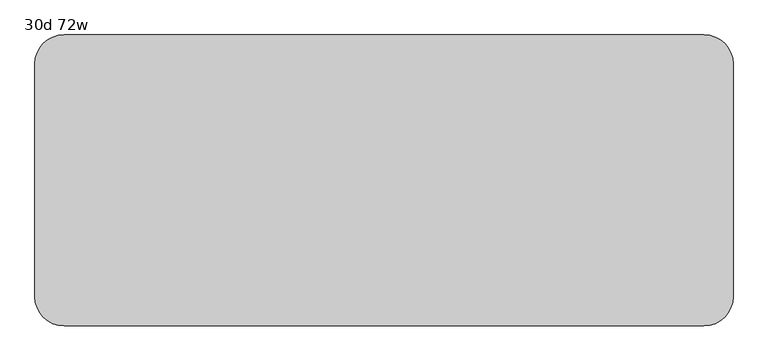
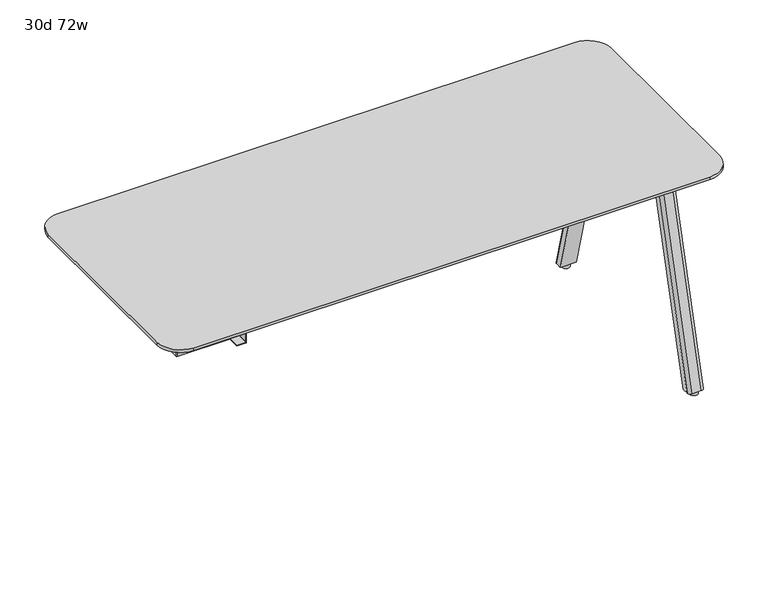
"""IFC4 building model written with IfcOpenShell, lengths in millimetres: furniture geometry, 30d 72w."""

from ifc_helpers import new_model, si_unit, point, frame, frame_2d, origin, origin_with_axes, place, context, project, spatial, polyline, circle_curve, trimmed, segment, composite_curve, outline, extrude, source, transform, mapped, element, save
from ifc_brep_helpers import plane_surface, cylinder_surface, revolved_surface, extruded_surface, advanced_brep


def furniture_30d_72w_465b79b7(model_context):
    return source(origin(), model_context, "Body", "SolidModel", [
        extrude(outline(composite_curve([segment(trimmed(circle_curve(frame_2d((708.2866241, -141.9174267)), 2.9133759), [point((711.2, -141.9174267))], [point((708.2866241, -144.8308027))], False, "CARTESIAN"), True, "CONTINUOUS"), segment(polyline([(708.2866241, -144.8308027), (549.0057593, -144.8308027)]), True, "CONTINUOUS"), segment(trimmed(circle_curve(frame_2d((549.0057593, -141.9174222)), 2.9133805), [point((549.0057593, -144.8308027))], [point((546.0923788, -141.9174222))], False, "CARTESIAN"), True, "CONTINUOUS"), segment(polyline([(546.0923788, -141.9174222), (546.0923788, -93.388185)]), True, "CONTINUOUS"), segment(trimmed(circle_curve(frame_2d((545.0763787, -93.388185)), 1.0160002), [point((546.0923788, -93.388185))], [point((545.0763787, -92.3721849))], True, "CARTESIAN"), True, "CONTINUOUS"), segment(polyline([(545.0763787, -92.3721849), (516.6283794, -92.3721849)]), True, "CONTINUOUS"), segment(trimmed(circle_curve(frame_2d((516.6283797, -93.388185)), 1.0160002), [point((516.6283794, -92.3721849))], [point((515.6123795, -93.388185))], True, "CARTESIAN"), True, "CONTINUOUS"), segment(polyline([(515.6123795, -93.388185), (515.6123792, -122.2248049), (513.7149992, -122.2248049), (513.7149992, -93.388185)]), True, "CONTINUOUS"), segment(trimmed(circle_curve(frame_2d((516.6283797, -93.388185)), 2.9133805), [point((513.7149992, -93.388185))], [point((516.6283797, -90.4748045))], False, "CARTESIAN"), True, "CONTINUOUS"), segment(polyline([(516.6283797, -90.4748045), (545.0763798, -90.4748045)]), True, "CONTINUOUS"), segment(trimmed(circle_curve(frame_2d((545.0763798, -93.388185)), 2.9133805), [point((545.0763798, -90.4748045))], [point((547.9897603, -93.388185))], False, "CARTESIAN"), True, "CONTINUOUS"), segment(polyline([(547.9897603, -93.388185), (547.9897603, -141.9174267)]), True, "CONTINUOUS"), segment(trimmed(circle_curve(frame_2d((549.0057593, -141.9174267)), 1.015999), [point((547.9897603, -141.9174267))], [point((549.0057593, -142.9334257))], True, "CARTESIAN"), True, "CONTINUOUS"), segment(polyline([(549.0057593, -142.9334257), (708.2866241, -142.9334257)]), True, "CONTINUOUS"), segment(trimmed(circle_curve(frame_2d((708.2866241, -141.9174267)), 1.015999), [point((708.2866241, -142.9334257))], [point((709.3026231, -141.9174267))], True, "CARTESIAN"), True, "CONTINUOUS"), segment(polyline([(709.3026231, -141.9174267), (709.3026231, -65.0748), (711.2, -65.0748), (711.2, -141.9174267)]), True, "CONTINUOUS")], self_intersect=False)), frame((0.0, -314.0610932, 0.0), z_axis=(0.0, 1.0, 0.0), x_axis=(0.0, 0.0, 1.0)), (0.0, 0.0, 1.0), 304.8),
        extrude(outline(composite_curve([segment(polyline([(-319.0748, -314.9678875), (-319.0748, -8.3390657)]), True, "CONTINUOUS"), segment(trimmed(circle_curve(frame_2d((-317.1698109, -8.3390657)), 1.9049891), [point((-319.0748, -8.3390657))], [point((-317.1698109, -6.4340766))], False, "CARTESIAN"), True, "CONTINUOUS"), segment(polyline([(-317.1698109, -6.4340766), (-144.0434052, -6.4340766), (-144.0434052, -316.8728766), (-317.1698109, -316.8728766)]), True, "CONTINUOUS"), segment(trimmed(circle_curve(frame_2d((-317.1698109, -314.9678875)), 1.9049891), [point((-317.1698109, -316.8728766))], [point((-319.0748, -314.9678875))], False, "CARTESIAN"), True, "CONTINUOUS")], self_intersect=False)), frame((0.0, 0.0, 547.0829797), z_axis=(0.0, 0.0, 1.0), x_axis=(1.0, 0.0, 0.0)), (0.0, 0.0, 1.0), 164.1170203),
        extrude(outline(composite_curve([segment(polyline([(1264.8565, -66.4464359), (1156.9065004, -66.4464359)]), True, "CONTINUOUS"), segment(trimmed(circle_curve(frame_2d((1156.9065004, -56.9214359)), 9.525), [point((1156.9065004, -66.4464359))], [point((1147.3815004, -56.9214359))], False, "CARTESIAN"), True, "CONTINUOUS"), segment(polyline([(1147.3815004, -56.9214359), (1147.3815004, 25.7519335)]), True, "CONTINUOUS"), segment(trimmed(circle_curve(frame_2d((1156.9065004, 25.7519335)), 9.525), [point((1147.3815004, 25.7519335))], [point((1156.9065004, 35.2769335))], False, "CARTESIAN"), True, "CONTINUOUS"), segment(polyline([(1156.9065004, 35.2769335), (1264.8565, 35.2769335)]), True, "CONTINUOUS"), segment(trimmed(circle_curve(frame_2d((1264.8565, 25.7519335)), 9.525), [point((1264.8565, 35.2769335))], [point((1274.3815, 25.7519335))], False, "CARTESIAN"), True, "CONTINUOUS"), segment(polyline([(1274.3815, 25.7519335), (1274.3815, -56.9214359)]), True, "CONTINUOUS"), segment(trimmed(circle_curve(frame_2d((1264.8565, -56.9214359)), 9.525), [point((1274.3815, -56.9214359))], [point((1264.8565, -66.4464359))], False, "CARTESIAN"), True, "CONTINUOUS")], self_intersect=False)), frame((0.0, 0.0, 705.2055742), z_axis=(0.0, 0.0, 1.0), x_axis=(1.0, 0.0, 0.0)), (0.0, 0.0, 1.0), 5.9944258),
        advanced_brep(
        [(1258.8875, 28.0527734, 705.2055742), (1227.1375, 28.0527734, 705.2055742), (1217.6125, 18.5277734, 705.2055742), (1217.6125, -2.1097266, 705.2055742), (1268.4125, -2.1097266, 705.2055742), (1268.4125, 18.5277734, 705.2055742), (1258.8875, 214.5410641, 12.7), (1268.4125, 205.0160641, 12.7), (1268.4125, 184.3785641, 12.7), (1217.6125, 184.3785641, 12.7), (1217.6125, 205.0160641, 12.7), (1227.1375, 214.5410641, 12.7)],
        [
            (0, 1),
            (1, 2, circle_curve(frame((1227.1375, 18.5277734, 705.2055742), z_axis=(0.0, 0.0, 1.0), x_axis=(1.0, 0.0, 0.0)), 9.525)),
            (2, 3),
            (3, 4),
            (4, 5),
            (5, 0, circle_curve(frame((1258.8875, 18.5277734, 705.2055742), z_axis=(0.0, 0.0, 1.0), x_axis=(1.0, 0.0, 0.0)), 9.525)),
            (6, 7, circle_curve(frame((1258.8875, 205.0160641, 12.7), z_axis=(0.0, 0.0, -1.0), x_axis=(1.0, 0.0, 0.0)), 9.525)),
            (7, 8),
            (8, 9),
            (9, 10),
            (10, 11, circle_curve(frame((1227.1375, 205.0160641, 12.7), z_axis=(0.0, 0.0, -1.0), x_axis=(1.0, 0.0, 0.0)), 9.525)),
            (11, 6),
            (6, 0),
            (5, 7),
            (4, 8),
            (3, 9),
            (2, 10),
            (1, 11),
        ],
        [
            plane_surface(frame((1243.0125, 14.8236068, 705.2055742), z_axis=(0.0, 0.0, 1.0), x_axis=(-1.0, 0.0, 0.0))),
            plane_surface(frame((1243.0125, 201.3118975, 12.7), z_axis=(0.0, 0.0, -1.0), x_axis=(-1.0, 0.0, 0.0))),
            extruded_surface(trimmed(circle_curve(frame((1258.8875, 18.5277734, 705.2055742), z_axis=(0.0, 0.0, -1.0), x_axis=(1.0, 0.0, 0.0)), 9.525), [point((1258.8875, 28.0527734, 705.2055742))], [point((1268.4125, 18.5277734, 705.2055742))], True, "CARTESIAN"), (0.0, 186.4882907, -692.5055742), 717.1763052878136),
            plane_surface(frame((1268.4125, 194.6973141, 12.7), z_axis=(1.0, 0.0, 0.0), x_axis=(0.0, -1.0, 0.0))),
            plane_surface(frame((1243.0125, 184.3785641, 12.7), z_axis=(0.0, -0.9656001865922422, -0.260031305140414), x_axis=(-1.0, 0.0, 0.0))),
            plane_surface(frame((1217.6125, 194.6973141, 12.7), z_axis=(-1.0, 0.0, 0.0), x_axis=(0.0, 1.0, 0.0))),
            extruded_surface(trimmed(circle_curve(frame((1227.1375, 18.5277734, 705.2055742), z_axis=(0.0, 0.0, -1.0), x_axis=(1.0, 0.0, 0.0)), 9.525), [point((1217.6125, 18.5277734, 705.2055742))], [point((1227.1375, 28.0527734, 705.2055742))], True, "CARTESIAN"), (0.0, 186.4882907, -692.5055742), 717.1763052878136),
            plane_surface(frame((1243.0125, 214.5410641, 12.7), z_axis=(0.0, 0.9656001865922422, 0.260031305140414), x_axis=(1.0, 0.0, 0.0))),
        ],
        [
            (0, [[1, 2, 3, 4, 5, 6]]),
            (1, [[7, 8, 9, 10, 11, 12]]),
            (2, [[13, -6, 14, -7]]),
            (3, [[-14, -5, 15, -8]]),
            (4, [[-15, -4, 16, -9]]),
            (5, [[-16, -3, 17, -10]]),
            (6, [[-17, -2, 18, -11]]),
            (7, [[-18, -1, -13, -12]]),
        ],
    ),
        extrude(outline(composite_curve([segment(trimmed(circle_curve(frame_2d((1243.0125, 198.6660641)), 12.7), [point((1230.3125, 198.6660641))], [point((1255.7125, 198.6660641))], False, "CARTESIAN"), True, "CONTINUOUS"), segment(trimmed(circle_curve(frame_2d((1243.0125, 198.6660641)), 12.7), [point((1255.7125, 198.6660641))], [point((1230.3125, 198.6660641))], False, "CARTESIAN"), True, "CONTINUOUS")], self_intersect=False)), origin_with_axes(), (0.0, 0.0, 1.0), 12.7),
        extrude(outline(composite_curve([segment(trimmed(circle_curve(frame_2d((1264.8565, -266.3855172)), 9.525), [point((1264.8565, -256.8605172))], [point((1274.3815, -266.3855172))], False, "CARTESIAN"), True, "CONTINUOUS"), segment(polyline([(1274.3815, -266.3855172), (1274.3815, -349.0588866)]), True, "CONTINUOUS"), segment(trimmed(circle_curve(frame_2d((1264.8565, -349.0588866)), 9.525), [point((1274.3815, -349.0588866))], [point((1264.8565, -358.5838866))], False, "CARTESIAN"), True, "CONTINUOUS"), segment(polyline([(1264.8565, -358.5838866), (1156.9065004, -358.5838866)]), True, "CONTINUOUS"), segment(trimmed(circle_curve(frame_2d((1156.9065004, -349.0588866)), 9.525), [point((1156.9065004, -358.5838866))], [point((1147.3815004, -349.0588866))], False, "CARTESIAN"), True, "CONTINUOUS"), segment(polyline([(1147.3815004, -349.0588866), (1147.3815004, -266.3855172)]), True, "CONTINUOUS"), segment(trimmed(circle_curve(frame_2d((1156.9065004, -266.3855172)), 9.525), [point((1147.3815004, -266.3855172))], [point((1156.9065004, -256.8605172))], False, "CARTESIAN"), True, "CONTINUOUS"), segment(polyline([(1156.9065004, -256.8605172), (1264.8565, -256.8605172)]), True, "CONTINUOUS")], self_intersect=False)), frame((0.0, 0.0, 705.2055742), z_axis=(0.0, 0.0, 1.0), x_axis=(1.0, 0.0, 0.0)), (0.0, 0.0, 1.0), 5.9944258),
        advanced_brep(
        [(1258.8875, -351.3597266, 705.2055742), (1268.4125, -341.8347266, 705.2055742), (1268.4125, -321.1972266, 705.2055742), (1217.6125, -321.1972266, 705.2055742), (1217.6125, -341.8347266, 705.2055742), (1227.1375, -351.3597266, 705.2055742), (1258.8875, -537.8480172, 12.7), (1227.1375, -537.8480172, 12.7), (1217.6125, -528.3230172, 12.7), (1217.6125, -507.6855172, 12.7), (1268.4125, -507.6855172, 12.7), (1268.4125, -528.3230172, 12.7)],
        [
            (0, 1, circle_curve(frame((1258.8875, -341.8347266, 705.2055742), z_axis=(0.0, 0.0, 1.0), x_axis=(1.0, 0.0, 0.0)), 9.525)),
            (1, 2),
            (2, 3),
            (3, 4),
            (4, 5, circle_curve(frame((1227.1375, -341.8347266, 705.2055742), z_axis=(0.0, 0.0, 1.0), x_axis=(1.0, 0.0, 0.0)), 9.525)),
            (5, 0),
            (6, 7),
            (7, 8, circle_curve(frame((1227.1375, -528.3230172, 12.7), z_axis=(0.0, 0.0, -1.0), x_axis=(1.0, 0.0, 0.0)), 9.525)),
            (8, 9),
            (9, 10),
            (10, 11),
            (11, 6, circle_curve(frame((1258.8875, -528.3230172, 12.7), z_axis=(0.0, 0.0, -1.0), x_axis=(1.0, 0.0, 0.0)), 9.525)),
            (11, 1),
            (0, 6),
            (10, 2),
            (9, 3),
            (8, 4),
            (7, 5),
        ],
        [
            plane_surface(frame((1243.0125, -338.1305599, 705.2055742), z_axis=(0.0, 0.0, 1.0), x_axis=(-1.0, 0.0, 0.0))),
            plane_surface(frame((1243.0125, -524.6188506, 12.7), z_axis=(0.0, 0.0, -1.0), x_axis=(-1.0, 0.0, 0.0))),
            extruded_surface(trimmed(circle_curve(frame((1258.8875, -528.3230172, 12.7), z_axis=(0.0, 0.0, 1.0), x_axis=(1.0, 0.0, 0.0)), 9.525), [point((1258.8875, -537.8480172, 12.7))], [point((1268.4125, -528.3230172, 12.7))], True, "CARTESIAN"), (0.0, 186.48829059999997, 692.5055742), 717.1763052618105),
            plane_surface(frame((1268.4125, -518.0042672, 12.7), z_axis=(1.0, 0.0, 0.0), x_axis=(0.0, 1.0, 0.0))),
            plane_surface(frame((1243.0125, -507.6855172, 12.7), z_axis=(0.0, 0.9656001865922422, -0.260031305140414), x_axis=(-1.0, 0.0, 0.0))),
            plane_surface(frame((1217.6125, -518.0042672, 12.7), z_axis=(-1.0, 0.0, 0.0), x_axis=(0.0, -1.0, 0.0))),
            extruded_surface(trimmed(circle_curve(frame((1227.1375, -528.3230172, 12.7), z_axis=(0.0, 0.0, 1.0), x_axis=(1.0, 0.0, 0.0)), 9.525), [point((1217.6125, -528.3230172, 12.7))], [point((1227.1375, -537.8480172, 12.7))], True, "CARTESIAN"), (0.0, 186.48829059999997, 692.5055742), 717.1763052618105),
            plane_surface(frame((1243.0125, -537.8480172, 12.7), z_axis=(0.0, -0.9656001865922422, 0.260031305140414), x_axis=(1.0, 0.0, 0.0))),
        ],
        [
            (0, [[1, 2, 3, 4, 5, 6]]),
            (1, [[7, 8, 9, 10, 11, 12]]),
            (2, [[-12, 13, -1, 14]]),
            (3, [[-11, 15, -2, -13]]),
            (4, [[-10, 16, -3, -15]]),
            (5, [[-9, 17, -4, -16]]),
            (6, [[-8, 18, -5, -17]]),
            (7, [[-7, -14, -6, -18]]),
        ],
    ),
        extrude(outline(composite_curve([segment(trimmed(circle_curve(frame_2d((1243.0125, -521.9730172)), 12.7), [point((1230.3125, -521.9730172))], [point((1255.7125, -521.9730172))], False, "CARTESIAN"), True, "CONTINUOUS"), segment(trimmed(circle_curve(frame_2d((1243.0125, -521.9730172)), 12.7), [point((1255.7125, -521.9730172))], [point((1230.3125, -521.9730172))], False, "CARTESIAN"), True, "CONTINUOUS")], self_intersect=False)), origin_with_axes(), (0.0, 0.0, 1.0), 12.7),
        advanced_brep(
        [(-393.7, -542.6534766, 741.3625), (1282.7, -542.6534766, 741.3625), (1358.9, -466.4534766, 741.3625), (1358.9, 143.1465234, 741.3625), (1282.7, 219.3465234, 741.3625), (-393.7, 219.3465234, 741.3625), (-469.9, 143.1465234, 741.3625), (-469.9, -466.4534766, 741.3625), (1282.7, -491.8534766, 711.2), (-393.7, -491.8534766, 711.2), (-419.1, -466.4534766, 711.2), (-419.1, 143.1465234, 711.2), (-393.7, 168.5465234, 711.2), (1282.7, 168.5465234, 711.2), (1308.1, 143.1465234, 711.2), (1308.1, -466.4534766, 711.2), (-393.7, -542.6534766, 731.8375), (1282.7, -542.6534766, 731.8375), (1358.9, -466.4534766, 731.8375), (1358.9, 143.1465234, 731.8375), (1282.7, 219.3465234, 731.8375), (-393.7, 219.3465234, 731.8375), (-469.9, 143.1465234, 731.8375), (-469.9, -466.4534766, 731.8375)],
        [
            (0, 1),
            (1, 2, circle_curve(frame((1282.7, -466.4534766, 741.3625), z_axis=(0.0, 0.0, 1.0), x_axis=(1.0, 0.0, 0.0)), 76.2)),
            (2, 3),
            (3, 4, circle_curve(frame((1282.7, 143.1465234, 741.3625), z_axis=(0.0, 0.0, 1.0), x_axis=(1.0, 0.0, 0.0)), 76.2)),
            (4, 5),
            (5, 6, circle_curve(frame((-393.7, 143.1465234, 741.3625), z_axis=(0.0, 0.0, 1.0), x_axis=(1.0, 0.0, 0.0)), 76.2)),
            (6, 7),
            (7, 0, circle_curve(frame((-393.7, -466.4534766, 741.3625), z_axis=(0.0, 0.0, 1.0), x_axis=(1.0, 0.0, 0.0)), 76.2)),
            (8, 9),
            (9, 10, circle_curve(frame((-393.7, -466.4534766, 711.2), z_axis=(0.0, 0.0, -1.0), x_axis=(-1.0, 0.0, 0.0)), 25.4)),
            (10, 11),
            (11, 12, circle_curve(frame((-393.7, 143.1465234, 711.2), z_axis=(0.0, 0.0, -1.0), x_axis=(0.0, 1.0, 0.0)), 25.4)),
            (12, 13),
            (13, 14, circle_curve(frame((1282.7, 143.1465234, 711.2), z_axis=(0.0, 0.0, -1.0), x_axis=(1.0, 0.0, 0.0)), 25.4)),
            (14, 15),
            (15, 8, circle_curve(frame((1282.7, -466.4534766, 711.2), z_axis=(0.0, 0.0, -1.0), x_axis=(0.0, -1.0, 0.0)), 25.4)),
            (0, 16),
            (16, 17),
            (17, 1),
            (2, 18),
            (18, 19),
            (19, 3),
            (17, 18, circle_curve(frame((1282.7, -466.4534766, 731.8375), z_axis=(0.0, 0.0, 1.0), x_axis=(1.0, 0.0, 0.0)), 76.2)),
            (4, 20),
            (20, 21),
            (21, 5),
            (8, 17),
            (16, 9),
            (15, 18),
            (14, 19),
            (13, 20),
            (20, 19, circle_curve(frame((1282.7, 143.1465234, 731.8375), z_axis=(0.0, 0.0, -1.0), x_axis=(1.0, 0.0, 0.0)), 76.2)),
            (12, 21),
            (6, 22),
            (22, 23),
            (23, 7),
            (21, 22, circle_curve(frame((-393.7, 143.1465234, 731.8375), z_axis=(0.0, 0.0, 1.0), x_axis=(1.0, 0.0, 0.0)), 76.2)),
            (23, 16, circle_curve(frame((-393.7, -466.4534766, 731.8375), z_axis=(0.0, 0.0, 1.0), x_axis=(1.0, 0.0, 0.0)), 76.2)),
            (11, 22),
            (10, 23),
        ],
        [
            plane_surface(frame((1282.7, -542.6534766, 741.3625), z_axis=(0.0, 0.0, 1.0), x_axis=(1.0, 0.0, 0.0))),
            plane_surface(frame((1282.7, -542.6534766, 711.2), z_axis=(0.0, 0.0, -1.0), x_axis=(-1.0, 0.0, 0.0))),
            plane_surface(frame((-393.7, -542.6534766, 741.3625), z_axis=(0.0, -1.0, 0.0), x_axis=(0.0, 0.0, -1.0))),
            plane_surface(frame((1358.9, -466.4534766, 741.3625), z_axis=(1.0, 0.0, 0.0), x_axis=(0.0, 0.0, -1.0))),
            cylinder_surface(frame((1282.7, -466.4534766, 711.2), z_axis=(0.0, 0.0, 1.0), x_axis=(1.0, 0.0, 0.0)), 76.2),
            plane_surface(frame((1282.7, 219.3465234, 741.3625), z_axis=(0.0, 1.0, 0.0), x_axis=(0.0, 0.0, -1.0))),
            plane_surface(frame((-393.7, -542.6534766, 731.8375), z_axis=(0.0, -0.3763770469570871, -0.9264665771218423), x_axis=(1.0, 0.0, 0.0))),
            revolved_surface(polyline([(1282.7, -491.8534766, 711.2), (1282.7, -542.6534766, 731.8375)]), (1282.7, -466.4534766, 0.0), (0.0, 0.0, 1.0)),
            plane_surface(frame((1358.9, -466.4534766, 731.8375), z_axis=(0.3763770469570871, 0.0, -0.9264665771218423), x_axis=(0.0, 1.0, 0.0))),
            revolved_surface(polyline([(1308.1, 143.1465234, 711.2), (1358.9, 143.1465234, 731.8375)]), (1282.7, 143.1465234, 0.0), (0.0, 0.0, 1.0)),
            plane_surface(frame((1282.7, 219.3465234, 731.8375), z_axis=(0.0, 0.3763770469570871, -0.9264665771218423), x_axis=(-1.0, 0.0, 0.0))),
            cylinder_surface(frame((1282.7, 143.1465234, 711.2), z_axis=(0.0, 0.0, 1.0), x_axis=(1.0, 0.0, 0.0)), 76.2),
            plane_surface(frame((-469.9, 143.1465234, 741.3625), z_axis=(-1.0, 0.0, 0.0), x_axis=(0.0, 0.0, -1.0))),
            cylinder_surface(frame((-393.7, 143.1465234, 711.2), z_axis=(0.0, 0.0, 1.0), x_axis=(1.0, 0.0, 0.0)), 76.2),
            cylinder_surface(frame((-393.7, -466.4534766, 711.2), z_axis=(0.0, 0.0, 1.0), x_axis=(1.0, 0.0, 0.0)), 76.2),
            revolved_surface(polyline([(-393.7, 168.5465234, 711.2), (-393.7, 219.3465234, 731.8375)]), (-393.7, 143.1465234, 0.0), (0.0, 0.0, 1.0)),
            plane_surface(frame((-469.9, 143.1465234, 731.8375), z_axis=(-0.3763770469570871, 0.0, -0.9264665771218423), x_axis=(0.0, -1.0, 0.0))),
            revolved_surface(polyline([(-419.1, -466.4534766, 711.2), (-469.9, -466.4534766, 731.8375)]), (-393.7, -466.4534766, 0.0), (0.0, 0.0, 1.0)),
        ],
        [
            (0, [[1, 2, 3, 4, 5, 6, 7, 8]]),
            (1, [[9, 10, 11, 12, 13, 14, 15, 16]]),
            (2, [[-1, 17, 18, 19]]),
            (3, [[-3, 20, 21, 22]]),
            (4, [[-2, -19, 23, -20]]),
            (5, [[-5, 24, 25, 26]]),
            (6, [[27, -18, 28, -9]]),
            (7, [[-27, -16, 29, -23]]),
            (8, [[-29, -15, 30, -21]]),
            (9, [[-30, -14, 31, 32]]),
            (10, [[-31, -13, 33, -25]]),
            (11, [[-4, -22, -32, -24]]),
            (12, [[-7, 34, 35, 36]]),
            (13, [[-6, -26, 37, -34]]),
            (14, [[-8, -36, 38, -17]]),
            (15, [[-33, -12, 39, -37]]),
            (16, [[-39, -11, 40, -35]]),
            (17, [[-28, -38, -40, -10]]),
        ],
    ),
    ])


if __name__ == "__main__":
    model = new_model("IFC4")
    model_context = context("Model", 3, world=origin())
    ifc_project = project(units=[si_unit("LENGTHUNIT", "METRE", prefix="MILLI")], contexts=[model_context])
    site = spatial("IfcSite", under=ifc_project)
    building = spatial("IfcBuilding", under=site)
    placement = place(None, origin())
    furniture_30d_72w_shape = furniture_30d_72w_465b79b7(model_context)
    element("IfcFurniture", 1, ObjectType="30d 72w", at=placement, inside=building, context=model_context, shape_type="MappedRepresentation", body=[
        mapped(furniture_30d_72w_shape, transform((0.0, 0.0, 0.0), x_axis=(1.0, 0.0, 0.0), y_axis=(0.0, 1.0, 0.0), z_axis=(0.0, 0.0, 1.0))),
    ])
    save(model, "model.ifc")
